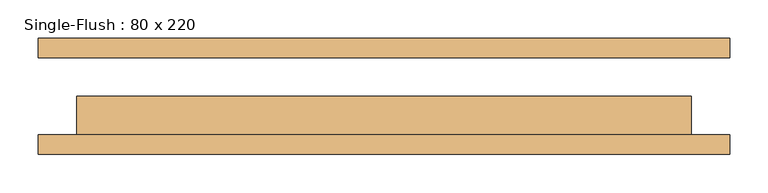
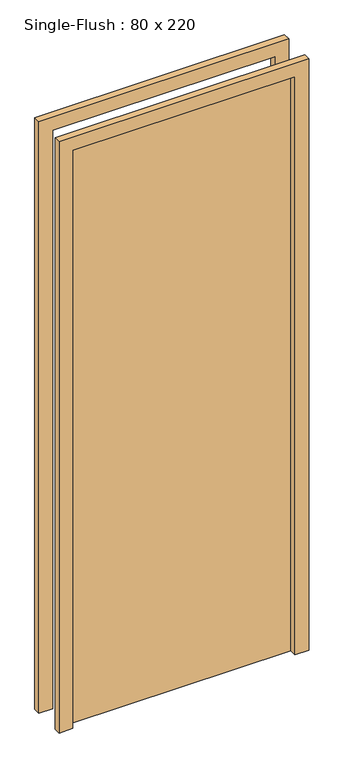
"""IFC4 building model written with IfcOpenShell, lengths in millimetres: door geometry, Single-Flush : 80 x 220."""

import ifcopenshell
import ifcopenshell.guid

model = None  # the IFC model being written
_history = None  # IfcOwnerHistory: only IFC2X3 demands one
_inside = {}  # id of a spatial element -> (the spatial element, [elements in it])
_under = {}  # id of a project, library or spatial element -> (it, [spatial elements below it])
_declared = {}  # id of a project -> (the project, [libraries it declares])
_typed = {}  # id of a type object -> (the type object, [elements of that type])
_made_of = {}  # id of a material, layer set ... -> (it, [elements and type objects made of it])


def new_model(schema):
    """Start an empty IFC model of exactly this schema.

    Asked for "IFC4X3", IfcOpenShell would pick the latest addendum, in which some entities
    have other attributes; the version numbers below select the first issue.
    IFC2X3 requires an IfcOwnerHistory on every rooted entity: one is made here for all.
    """
    global model, _history
    if schema == "IFC4X3":
        model = ifcopenshell.file(schema_version=(4, 3, 0, 0))
    else:
        model = ifcopenshell.file(schema=schema)
    _inside.clear()
    _under.clear()
    _declared.clear()
    _typed.clear()
    _made_of.clear()
    _history = None
    if model.schema == "IFC2X3":
        org = make("IfcOrganization", Name="unknown")
        user = make(
            "IfcPersonAndOrganization",
            ThePerson=make("IfcPerson", FamilyName="unknown"),
            TheOrganization=org,
        )
        app = make(
            "IfcApplication",
            ApplicationDeveloper=org,
            Version="unknown",
            ApplicationFullName="unknown",
            ApplicationIdentifier="unknown",
        )
        _history = make(
            "IfcOwnerHistory",
            OwningUser=user,
            OwningApplication=app,
            ChangeAction="ADDED",
            CreationDate=0,
        )
    return model


def make(cls, **values):
    """One entity of the class cls with the attributes given. An attribute that is None is left unset."""
    return model.create_entity(
        cls, **{name: value for name, value in values.items() if value is not None}
    )


def rooted(cls, **values):
    """An entity with a GlobalId (a new one), such as an element, a storey or a relation."""
    return make(cls, GlobalId=ifcopenshell.guid.new(), OwnerHistory=_history, **values)


def si_unit(unit_type, name, prefix=None):
    """IfcSIUnit, for example si_unit("LENGTHUNIT", "METRE", prefix="MILLI")."""
    return make("IfcSIUnit", UnitType=unit_type, Prefix=prefix, Name=name)


def assignment(units):
    """IfcUnitAssignment: the units of a project."""
    return None if units is None else make("IfcUnitAssignment", Units=units)


def point(xyz):
    """IfcCartesianPoint."""
    return None if xyz is None else make("IfcCartesianPoint", Coordinates=xyz)


def direction(xyz):
    """IfcDirection."""
    return None if xyz is None else make("IfcDirection", DirectionRatios=xyz)


def frame(location, z_axis=None, x_axis=None):
    """IfcAxis2Placement3D, a coordinate frame: its origin and axes. An axis left out is left unset."""
    return make(
        "IfcAxis2Placement3D",
        Location=point(location),
        Axis=direction(z_axis),
        RefDirection=direction(x_axis),
    )


def origin():
    """The frame at (0, 0, 0) with its axes left unset."""
    return frame((0.0, 0.0, 0.0))


def origin_with_axes():
    """The frame at (0, 0, 0) with the z axis (0, 0, 1) and the x axis (1, 0, 0) written out."""
    return frame((0.0, 0.0, 0.0), z_axis=(0.0, 0.0, 1.0), x_axis=(1.0, 0.0, 0.0))


def place(relative_to, where):
    """IfcLocalPlacement: puts the frame where relative to a parent placement (None: the world)."""
    return make(
        "IfcLocalPlacement", PlacementRelTo=relative_to, RelativePlacement=where
    )


def context(
    kind, dimensions, precision=None, world=None, true_north=None, identifier=None
):
    """IfcGeometricRepresentationContext, for example the 3D "Model" context."""
    return make(
        "IfcGeometricRepresentationContext",
        ContextIdentifier=identifier,
        ContextType=kind,
        CoordinateSpaceDimension=dimensions,
        Precision=precision,
        WorldCoordinateSystem=world,
        TrueNorth=true_north,
    )


def project(units=None, contexts=None):
    """IfcProject with its units and contexts."""
    return rooted(
        "IfcProject",
        Name="project",
        RepresentationContexts=contexts,
        UnitsInContext=assignment(units),
    )


def spatial(cls, under=None, at=None, **own):
    """A site, building, storey or space (cls), placed at a placement, below another one or the project."""
    s = rooted(cls, ObjectPlacement=at, **own)
    if under is not None:
        _under.setdefault(under.id(), (under, []))[1].append(s)
    return s


def polyline(points):
    """IfcPolyline through the points."""
    return make("IfcPolyline", Points=[point(p) for p in points])


def outline(outer, holes=None, kind="AREA"):
    """IfcArbitraryClosedProfileDef: a profile drawn as a closed curve; with holes, ...WithVoids."""
    if holes is None:
        return make("IfcArbitraryClosedProfileDef", ProfileType=kind, OuterCurve=outer)
    return make(
        "IfcArbitraryProfileDefWithVoids",
        ProfileType=kind,
        OuterCurve=outer,
        InnerCurves=holes,
    )


def extrude(swept, where, along, depth):
    """IfcExtrudedAreaSolid: the profile swept, set in the frame where, extruded along a direction by depth."""
    return make(
        "IfcExtrudedAreaSolid",
        SweptArea=swept,
        Position=where,
        ExtrudedDirection=direction(along),
        Depth=depth,
    )


def shape(context_of_items, identifier, shape_type, items):
    """IfcShapeRepresentation: the items that make up one representation, for example the "Body"."""
    return make(
        "IfcShapeRepresentation",
        ContextOfItems=context_of_items,
        RepresentationIdentifier=identifier,
        RepresentationType=shape_type,
        Items=items,
    )


def source(mapping_origin, context_of_items, identifier, shape_type, items):
    """IfcRepresentationMap: a shape defined once, which mapped items show again and again."""
    return make(
        "IfcRepresentationMap",
        MappingOrigin=mapping_origin,
        MappedRepresentation=shape(context_of_items, identifier, shape_type, items),
    )


def transform(
    local_origin,
    x_axis=None,
    y_axis=None,
    z_axis=None,
    scale=None,
    scale2=None,
    scale3=None,
    uniform=True,
):
    """IfcCartesianTransformationOperator3D, or its non-uniform kind. x_axis, y_axis, z_axis: its Axis1, 2, 3."""
    if uniform:
        return make(
            "IfcCartesianTransformationOperator3D",
            Axis1=direction(x_axis),
            Axis2=direction(y_axis),
            LocalOrigin=point(local_origin),
            Scale=scale,
            Axis3=direction(z_axis),
        )
    return make(
        "IfcCartesianTransformationOperator3DnonUniform",
        Axis1=direction(x_axis),
        Axis2=direction(y_axis),
        LocalOrigin=point(local_origin),
        Scale=scale,
        Axis3=direction(z_axis),
        Scale2=scale2,
        Scale3=scale3,
    )


def mapped(mapping_source, mapping_target):
    """IfcMappedItem: shows the shape of a source again, moved by a transform."""
    return make(
        "IfcMappedItem", MappingSource=mapping_source, MappingTarget=mapping_target
    )


def made_of(thing, what):
    """Note that an element or type object is made of a material, layer set ...; save() writes the relation."""
    if what is not None:
        _made_of.setdefault(what.id(), (what, []))[1].append(thing)
    return thing


def element(
    cls,
    number,
    at=None,
    inside=None,
    cuts=None,
    type_object=None,
    material=None,
    context=None,
    identifier="Body",
    shape_type=None,
    held_by="IfcProductDefinitionShape",
    body=None,
    shapes=None,
    **own,
):
    """One element of the class cls, such as IfcWall. Its Tag is "e" and its number.

    at: its placement. inside: the storey or other place that contains it. cuts: it is an
    opening in that element (IfcRelVoidsElement). A single representation is given by context,
    identifier, shape_type and body (its items); several are given by shapes. held_by: the class
    of the entity that holds the representations. save() writes the other relations.
    """
    e = rooted(cls, Tag="e%d" % number, ObjectPlacement=at, **own)
    if body is not None:
        shapes = [shape(context, identifier, shape_type, body)]
    if shapes is not None:
        e.Representation = make(held_by, Representations=shapes)
    if inside is not None:
        _inside.setdefault(inside.id(), (inside, []))[1].append(e)
    if cuts is not None:
        rooted(
            "IfcRelVoidsElement", RelatingBuildingElement=cuts, RelatedOpeningElement=e
        )
    if type_object is not None:
        _typed.setdefault(type_object.id(), (type_object, []))[1].append(e)
    return made_of(e, material)


def aggregate(whole, parts):
    """IfcRelAggregates: a whole, such as a stair, and the parts it consists of."""
    return rooted("IfcRelAggregates", RelatingObject=whole, RelatedObjects=parts)


def save(model, path):
    """Write the relations noted so far, then the file.

    IfcRelAggregates (storeys below a building ...), IfcRelContainedInSpatialStructure (elements
    in a storey), IfcRelDefinesByType, IfcRelAssociatesMaterial and IfcRelDeclares: one each for
    every whole, place, type object, material and project.
    """
    for whole, parts in _under.values():
        aggregate(whole, parts)
    for where, things in _inside.values():
        rooted(
            "IfcRelContainedInSpatialStructure",
            RelatedElements=things,
            RelatingStructure=where,
        )
    for kind, things in _typed.values():
        rooted("IfcRelDefinesByType", RelatedObjects=things, RelatingType=kind)
    for what, things in _made_of.values():
        rooted("IfcRelAssociatesMaterial", RelatedObjects=things, RelatingMaterial=what)
    for by, libraries in _declared.values():
        rooted("IfcRelDeclares", RelatingContext=by, RelatedDefinitions=libraries)
    model.write(path)


def single_flush_80_x_220_b4daa720(model_context):
    return source(origin(), model_context, "Body", "SweptSolid", [
        extrude(outline(polyline([(2250.0, -450.0), (0.0, -450.0), (0.0, -400.0), (2200.0, -400.0), (2200.0, 400.0), (0.0, 400.0), (0.0, 450.0), (2250.0, 450.0), (2250.0, -450.0)])), frame((0.0, -75.4, 0.0), z_axis=(0.0, 1.0, 0.0), x_axis=(0.0, 0.0, 1.0)), (0.0, 0.0, 1.0), 25.4),
        extrude(outline(polyline([(2250.0, 450.0), (2250.0, -450.0), (0.0, -450.0), (0.0, -400.0), (2200.0, -400.0), (2200.0, 400.0), (0.0, 400.0), (0.0, 450.0), (2250.0, 450.0)])), frame((0.0, 50.0, 0.0), z_axis=(0.0, 1.0, 0.0), x_axis=(0.0, 0.0, 1.0)), (0.0, 0.0, 1.0), 25.4),
        extrude(outline(polyline([(400.0, 0.0), (400.0, -50.0), (-400.0, -50.0), (-400.0, 0.0), (400.0, 0.0)])), origin_with_axes(), (0.0, 0.0, 1.0), 2200.0),
    ])


if __name__ == "__main__":
    model = new_model("IFC4")
    model_context = context("Model", 3, world=origin())
    ifc_project = project(units=[si_unit("LENGTHUNIT", "METRE", prefix="MILLI")], contexts=[model_context])
    site = spatial("IfcSite", under=ifc_project)
    building = spatial("IfcBuilding", under=site)
    placement = place(None, origin())
    single_flush_80_x_220_shape = single_flush_80_x_220_b4daa720(model_context)
    element("IfcDoor", 1, ObjectType="Single-Flush : 80 x 220", at=placement, inside=building, context=model_context, shape_type="MappedRepresentation", body=[
        mapped(single_flush_80_x_220_shape, transform((0.0, 0.0, 0.0), x_axis=(1.0, 0.0, 0.0), y_axis=(0.0, 1.0, 0.0), z_axis=(0.0, 0.0, 1.0))),
    ])
    save(model, "model.ifc")
